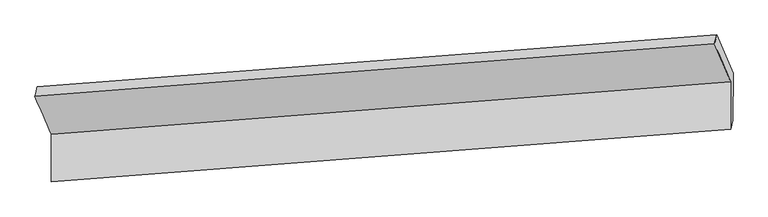
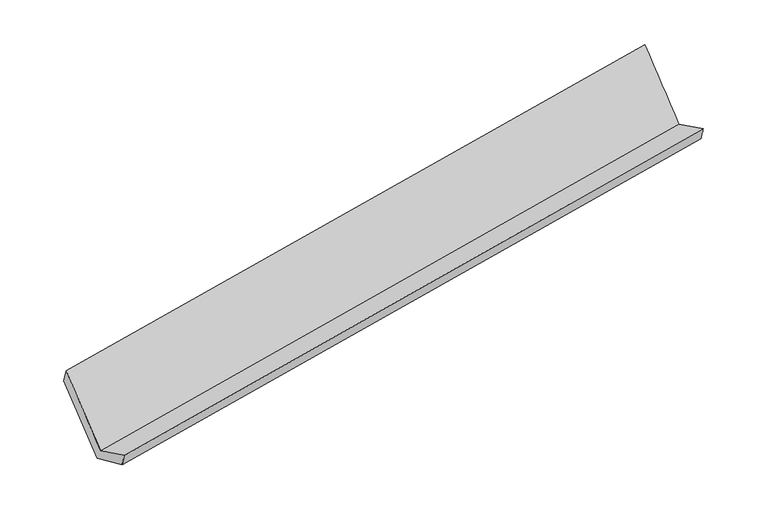
"""IFC4 building model written with IfcOpenShell, lengths in millimetres: proxy geometry."""

from ifc_helpers import new_model, si_unit, frame, origin, place, context, project, spatial, source, transform, mapped, element, save
from ifc_brep_helpers import plane_surface, spline_surface, advanced_brep


def generic_models_ee5a19f3(model_context):
    return source(origin(), model_context, "Body", "AdvancedBrep", [
        advanced_brep(
        [(-5552.0488723, -1426.2040407, 1880.6443669), (-5427.4289187, -1718.656945, 1289.6971589), (-228.3991421, -1315.3100056, 2188.0109257), (-352.2906641, -1025.4750838, 2773.6656676), (-5428.5494647, -2081.4552088, 1469.0055), (-229.5170768, -1677.2627919, 2366.9014005), (-5411.1415205, -2007.8188214, 1331.9445414), (-210.9662298, -1611.2755463, 2227.1196743), (-5413.1632231, -1644.7391448, 1170.9138365), (-209.8497099, -1249.780833, 2048.4555962), (-5533.8641559, -1353.6921748, 1739.5674345), (-335.0121841, -956.9726141, 2640.118329)],
        [
            (0, 1),
            (1, 2),
            (2, 3),
            (3, 0),
            (1, 4),
            (4, 5),
            (5, 2),
            (4, 6),
            (6, 7),
            (7, 5),
            (6, 8),
            (8, 9),
            (9, 7),
            (8, 10),
            (10, 11),
            (11, 9),
            (10, 0),
            (3, 11),
        ],
        [
            spline_surface(1, 1, [[(-5552.0488723, -1426.2040407, 1880.6443669), (-352.2906641, -1025.4750838, 2773.6656676)], [(-5427.4289187, -1718.656945, 1289.6971589), (-228.3991421, -1315.3100056, 2188.0109257)]], [2, 2], [2, 2], [0.0, 1.0], [0.0, 1.0]),
            plane_surface(frame((-5427.9891917, -1900.0560769, 1379.3513295), z_axis=(-0.18596791194435797, 0.4358081713090334, 0.8806174955946152), x_axis=(-0.0027688886617939384, -0.8964807648336638, 0.44307400232785954))),
            spline_surface(1, 1, [[(-5428.5494647, -2081.4552088, 1469.0055), (-229.5170768, -1677.2627919, 2366.9014005)], [(-5411.1415205, -2007.8188214, 1331.9445414), (-210.9662298, -1611.2755463, 2227.1196743)]], [2, 2], [2, 2], [0.0, 1.0], [0.0, 1.0]),
            spline_surface(1, 1, [[(-5411.1415205, -2007.8188214, 1331.9445414), (-210.9662298, -1611.2755463, 2227.1196743)], [(-5413.1632231, -1644.7391448, 1170.9138365), (-209.8497099, -1249.780833, 2048.4555962)]], [2, 2], [2, 2], [0.0, 1.0], [0.0, 1.0]),
            spline_surface(1, 1, [[(-5413.1632231, -1644.7391448, 1170.9138365), (-209.8497099, -1249.780833, 2048.4555962)], [(-5533.8641559, -1353.6921748, 1739.5674345), (-335.0121841, -956.9726141, 2640.118329)]], [2, 2], [2, 2], [0.0, 1.0], [0.0, 1.0]),
            spline_surface(1, 1, [[(-5533.8641559, -1353.6921748, 1739.5674345), (-335.0121841, -956.9726141, 2640.118329)], [(-5552.0488723, -1426.2040407, 1880.6443669), (-352.2906641, -1025.4750838, 2773.6656676)]], [2, 2], [2, 2], [0.0, 1.0], [0.0, 1.0]),
            plane_surface(frame((-261.0058345, -1306.0128125, 2374.0452656), z_axis=(0.9824932141317347, 0.08009666377612217, 0.16820109582588386), x_axis=(-0.18627779642424402, 0.43578293075244595, 0.8805644893045238))),
            plane_surface(frame((-5461.0326926, -1705.4277226, 1480.295473), z_axis=(-0.98259971047371, -0.07984713368032481, -0.16769688196271892), x_axis=(0.11389641829567579, 0.4541639057367838, -0.8836078047557787))),
        ],
        [
            (0, [[1, 2, 3, 4]]),
            (1, [[5, 6, 7, -2]]),
            (2, [[8, 9, 10, -6]]),
            (3, [[11, 12, 13, -9]]),
            (4, [[14, 15, 16, -12]]),
            (5, [[17, -4, 18, -15]]),
            (6, [[-16, -18, -3, -7, -10, -13]]),
            (7, [[-17, -14, -11, -8, -5, -1]]),
        ],
    ),
    ])


if __name__ == "__main__":
    model = new_model("IFC4")
    model_context = context("Model", 3, world=origin())
    ifc_project = project(units=[si_unit("LENGTHUNIT", "METRE", prefix="MILLI")], contexts=[model_context])
    site = spatial("IfcSite", under=ifc_project)
    building = spatial("IfcBuilding", under=site)
    placement = place(None, origin())
    generic_models_shape = generic_models_ee5a19f3(model_context)
    element("IfcBuildingElementProxy", 1, Name="Generic Models", at=placement, inside=building, context=model_context, shape_type="MappedRepresentation", body=[
        mapped(generic_models_shape, transform((0.0, 0.0, 0.0), x_axis=(1.0, 0.0, 0.0), y_axis=(0.0, 1.0, 0.0), z_axis=(0.0, 0.0, 1.0))),
    ])
    save(model, "model.ifc")
